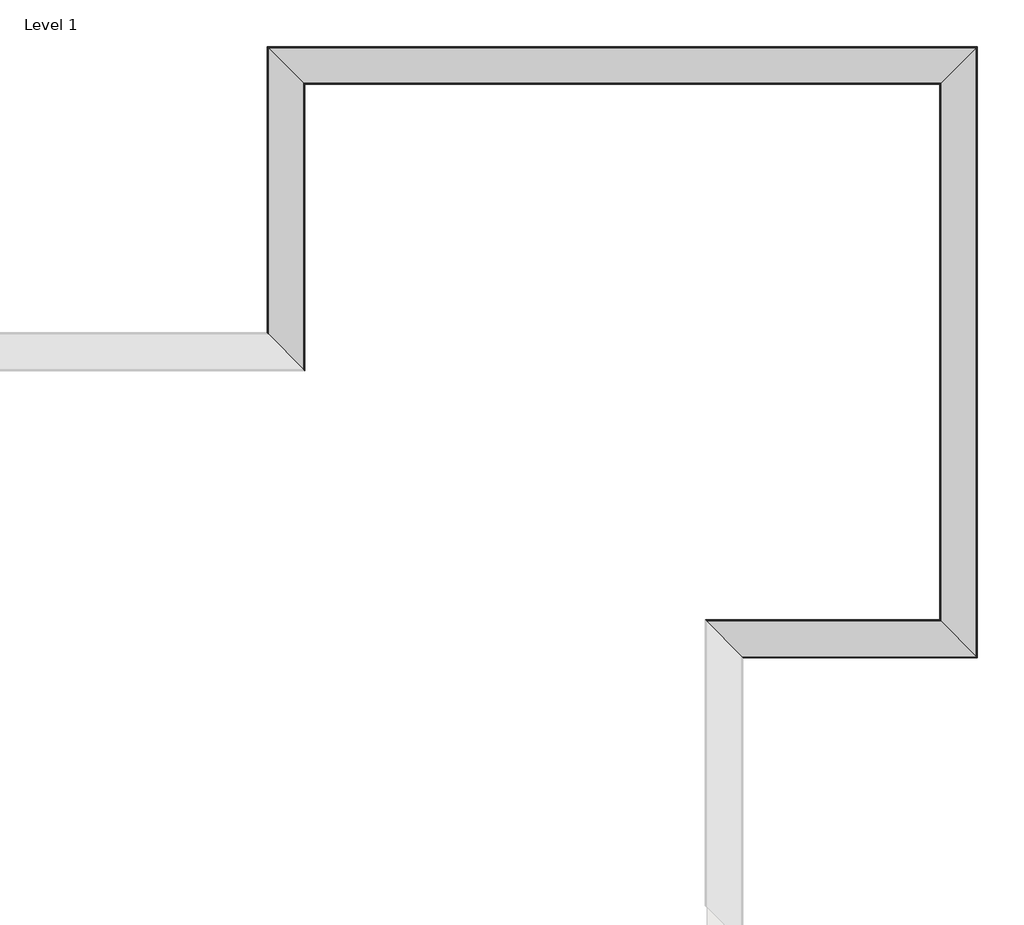
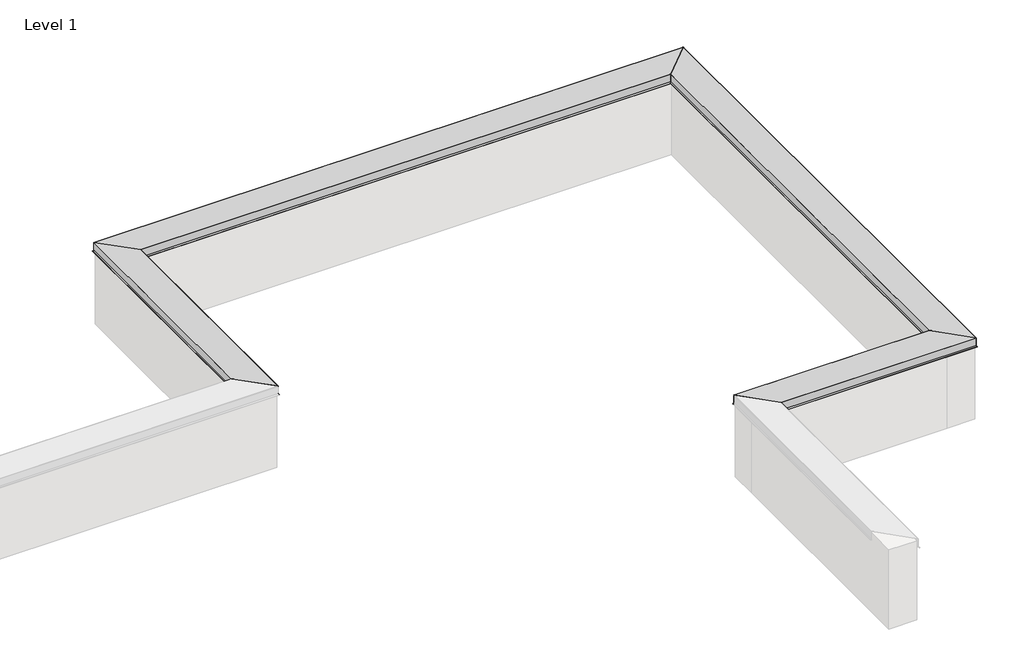
# One storey, part 2 of 2: 4 proxies.
"""IFC4 building model written with IfcOpenShell, lengths in millimetres."""

from ifc_helpers import new_model, si_unit, frame, origin, place, context, project, spatial, ellipse_curve, element, save
from ifc_brep_helpers import plane_surface, cylinder_surface, advanced_brep

model = new_model("IFC4")

# Units and contexts
model_context = context("Model", 3, world=origin())
ifc_project = project(units=[si_unit("LENGTHUNIT", "METRE", prefix="MILLI")], contexts=[model_context])

# Site, building, storey
site = spatial("IfcSite", under=ifc_project)
building = spatial("IfcBuilding", under=site)
storey = spatial("IfcBuildingStorey", under=building, Name="Level 1", Elevation=0.0)

# Proxies
placement = place(None, origin())
element("IfcBuildingElementProxy", 1, Name="Wall Sweeps", at=placement, inside=storey, context=model_context, shape_type="AdvancedBrep", body=[
    advanced_brep(
    [(-4571.2676589, 22440.6768217, 938.5463571), (-4572.4546165, 22441.8637793, 939.8), (-4895.936775, 22765.3459378, 939.8), (-4897.3004714, 22766.7096342, 938.508843), (-4897.3004714, 22766.7096342, 853.6034331), (-4905.2684654, 22774.6776281, 839.8024627), (-4903.7913777, 22773.2005405, 838.3536044), (-4894.2079525, 22763.6171153, 844.1359599), (-4894.7717906, 22764.1809533, 845.0704406), (-4904.2784533, 22773.6876161, 839.3344014), (-4896.2090652, 22765.6182279, 853.3109916), (-4896.2090652, 22765.6182279, 938.7085937), (-4572.3590652, 22441.7682279, 938.7085938), (-4572.3590652, 22441.7682279, 853.3109916), (-4564.289677, 22433.6988398, 839.3344014), (-4573.7963398, 22443.2055026, 845.0704406), (-4574.3601778, 22443.7693406, 844.1359599), (-4564.7767526, 22434.1859154, 838.3536044), (-4563.299665, 22432.7088278, 839.8024627), (-4571.2676589, 22440.6768217, 853.6034331), (-4571.2676589, 25037.4415284, 938.5463571), (-4571.2676589, 25037.4415284, 853.6034331), (-4563.299665, 25029.4735344, 839.8024627), (-4564.7767526, 25030.9506221, 838.3536044), (-4574.3601778, 25040.5340473, 844.1359599), (-4573.7963398, 25039.9702092, 845.0704406), (-4564.289677, 25030.4635465, 839.3344014), (-4572.3590652, 25038.5329346, 853.3109916), (-4572.3590652, 25038.5329346, 938.7085938), (-4896.2090652, 25362.3829346, 938.7085937), (-4896.2090652, 25362.3829346, 853.3109916), (-4904.2784533, 25370.4523228, 839.3344014), (-4894.7717906, 25360.94566, 845.0704406), (-4894.2079525, 25360.381822, 844.1359599), (-4903.7913777, 25369.9652472, 838.3536044), (-4905.2684654, 25371.4423348, 839.8024627), (-4897.3004714, 25363.4743409, 853.6034331), (-4897.3004714, 25363.4743409, 938.508843), (-4895.936775, 25362.1106445, 939.8), (-4572.4546165, 25038.628486, 939.8)],
    [
        (0, 1, ellipse_curve(frame((-4572.5231751, 22441.9323379, 938.5463571), z_axis=(-0.7071067811865511, -0.707106781186544, 0.0), x_axis=(0.707106781186544, -0.7071067811865509, 0.0)), 1.775568, 1.2555162)),
        (1, 2),
        (2, 3, ellipse_curve(frame((-4896.0073851, 22765.4165479, 938.508843), z_axis=(-0.7071067811865511, -0.707106781186544, 0.0), x_axis=(0.707106781186544, -0.7071067811865509, 0.0)), 1.8287002, 1.2930863)),
        (3, 4),
        (4, 5),
        (5, 6, ellipse_curve(frame((-4904.3432831, 22773.7524459, 839.2683085), z_axis=(-0.7071067811865511, -0.707106781186544, 0.0), x_axis=(0.707106781186544, -0.7071067811865509, 0.0)), 1.5108163, 1.0683085)),
        (6, 7),
        (7, 8),
        (8, 9),
        (9, 10),
        (10, 11),
        (11, 12),
        (12, 13),
        (13, 14),
        (14, 15),
        (15, 16),
        (16, 17),
        (17, 18, ellipse_curve(frame((-4564.2248473, 22433.63401, 839.2683085), z_axis=(-0.7071067811865511, -0.707106781186544, 0.0), x_axis=(0.707106781186544, -0.7071067811865509, 0.0)), 1.5108163, 1.0683085)),
        (18, 19),
        (19, 0),
        (20, 21),
        (21, 22),
        (22, 23, ellipse_curve(frame((-4564.2248473, 25030.3987167, 839.2683085), z_axis=(0.7071067811865511, 0.707106781186544, 0.0), x_axis=(0.707106781186544, -0.7071067811865509, 0.0)), 1.5108163, 1.0683085)),
        (23, 24),
        (24, 25),
        (25, 26),
        (26, 27),
        (27, 28),
        (28, 29),
        (29, 30),
        (30, 31),
        (31, 32),
        (32, 33),
        (33, 34),
        (34, 35, ellipse_curve(frame((-4904.3432831, 25370.5171525, 839.2683085), z_axis=(0.7071067811865511, 0.707106781186544, 0.0), x_axis=(0.707106781186544, -0.7071067811865509, 0.0)), 1.5108163, 1.0683085)),
        (35, 36),
        (36, 37),
        (37, 38, ellipse_curve(frame((-4896.0073851, 25362.1812546, 938.508843), z_axis=(0.7071067811865511, 0.707106781186544, 0.0), x_axis=(0.707106781186544, -0.7071067811865509, 0.0)), 1.8287002, 1.2930863)),
        (38, 39),
        (39, 20, ellipse_curve(frame((-4572.5231751, 25038.6970446, 938.5463571), z_axis=(0.7071067811865511, 0.707106781186544, 0.0), x_axis=(0.707106781186544, -0.7071067811865509, 0.0)), 1.775568, 1.2555162)),
        (0, 20),
        (39, 1),
        (38, 2),
        (37, 3),
        (36, 4),
        (35, 5),
        (34, 6),
        (33, 7),
        (32, 8),
        (31, 9),
        (30, 10),
        (29, 11),
        (28, 12),
        (27, 13),
        (26, 14),
        (25, 15),
        (24, 16),
        (23, 17),
        (22, 18),
        (21, 19),
    ],
    [
        plane_surface(frame((-4734.2840652, 22603.6932279, 609.6), z_axis=(-0.7071067811865511, -0.707106781186544, 0.0), x_axis=(-0.707106781186544, 0.7071067811865511, 0.0))),
        plane_surface(frame((-4734.2840652, 25200.4579346, 1219.2), z_axis=(0.7071067811865511, 0.707106781186544, 0.0), x_axis=(0.707106781186544, -0.7071067811865511, 0.0))),
        cylinder_surface(frame((-4572.5231751, 22603.6932279, 938.5463571), z_axis=(0.0, -1.0, 0.0), x_axis=(-1.0, 0.0, 0.0)), 1.2555162),
        plane_surface(frame((-4572.4546165, 22441.8637793, 939.8), z_axis=(0.0, 0.0, 1.0), x_axis=(0.0, 1.0, 0.0))),
        cylinder_surface(frame((-4896.0073851, 22603.6932279, 938.508843), z_axis=(0.0, -1.0, 0.0), x_axis=(-1.0, 0.0, 0.0)), 1.2930863),
        plane_surface(frame((-4897.3004714, 22766.7096342, 938.508843), z_axis=(-1.0, 0.0, 0.0), x_axis=(0.0, 1.0, 0.0))),
        plane_surface(frame((-4897.3004714, 22766.7096342, 853.6034331), z_axis=(-0.8660254037844565, 0.0, 0.4999999999999693), x_axis=(0.0, 1.0, 0.0))),
        cylinder_surface(frame((-4904.3432831, 22603.6932279, 839.2683085), z_axis=(0.0, -1.0, 0.0), x_axis=(-1.0, 0.0, 0.0)), 1.0683085),
        plane_surface(frame((-4903.7913777, 22773.2005405, 838.3536044), z_axis=(0.5166161099101941, 0.0, -0.8562171424243141), x_axis=(0.0, 1.0, 0.0))),
        plane_surface(frame((-4894.2079525, 22763.6171153, 844.1359599), z_axis=(0.8562171424243104, 0.0, 0.5166161099102006), x_axis=(0.0, 1.0, 0.0))),
        plane_surface(frame((-4894.7717906, 22764.1809533, 845.0704406), z_axis=(-0.5166161099101967, 0.0, 0.8562171424243127), x_axis=(0.0, 1.0, 0.0))),
        plane_surface(frame((-4904.2784533, 22773.6876161, 839.3344014), z_axis=(0.8660254037844567, 0.0, -0.49999999999996875), x_axis=(0.0, 1.0, 0.0))),
        plane_surface(frame((-4896.2090652, 22765.6182279, 853.3109916), z_axis=(1.0, 0.0, 0.0), x_axis=(0.0, 1.0, 0.0))),
        plane_surface(frame((-4896.2090652, 22765.6182279, 938.7085937), z_axis=(0.0, 0.0, -1.0), x_axis=(0.0, 1.0, 0.0))),
        plane_surface(frame((-4572.3590652, 22441.7682279, 938.7085938), z_axis=(-1.0, 0.0, 0.0), x_axis=(0.0, 1.0, 0.0))),
        plane_surface(frame((-4572.3590652, 22441.7682279, 853.3109916), z_axis=(-0.8660254037844562, 0.0, -0.4999999999999696), x_axis=(0.0, 1.0, 0.0))),
        plane_surface(frame((-4564.289677, 22433.6988398, 839.3344014), z_axis=(0.5166161099101976, 0.0, 0.8562171424243121), x_axis=(0.0, 1.0, 0.0))),
        plane_surface(frame((-4573.7963398, 22443.2055026, 845.0704406), z_axis=(-0.8562171424243104, 0.0, 0.5166161099102006), x_axis=(0.0, 1.0, 0.0))),
        plane_surface(frame((-4574.3601778, 22443.7693406, 844.1359599), z_axis=(-0.5166161099101971, 0.0, -0.8562171424243123), x_axis=(0.0, 1.0, 0.0))),
        cylinder_surface(frame((-4564.2248473, 22603.6932279, 839.2683085), z_axis=(0.0, -1.0, 0.0), x_axis=(-1.0, 0.0, 0.0)), 1.0683085),
        plane_surface(frame((-4563.299665, 22432.7088278, 839.8024627), z_axis=(0.8660254037844569, 0.0, 0.4999999999999685), x_axis=(0.0, 1.0, 0.0))),
        plane_surface(frame((-4571.2676589, 22440.6768217, 853.6034331), z_axis=(1.0, 0.0, 0.0), x_axis=(0.0, 1.0, 0.0))),
    ],
    [
        (0, [[1, 2, 3, 4, 5, 6, 7, 8, 9, 10, 11, 12, 13, 14, 15, 16, 17, 18, 19, 20]]),
        (1, [[21, 22, 23, 24, 25, 26, 27, 28, 29, 30, 31, 32, 33, 34, 35, 36, 37, 38, 39, 40]]),
        (2, [[-1, 41, -40, 42]]),
        (3, [[-2, -42, -39, 43]]),
        (4, [[-3, -43, -38, 44]]),
        (5, [[-4, -44, -37, 45]]),
        (6, [[-5, -45, -36, 46]]),
        (7, [[-6, -46, -35, 47]]),
        (8, [[-7, -47, -34, 48]]),
        (9, [[-8, -48, -33, 49]]),
        (10, [[-9, -49, -32, 50]]),
        (11, [[-10, -50, -31, 51]]),
        (12, [[-11, -51, -30, 52]]),
        (13, [[-12, -52, -29, 53]]),
        (14, [[-13, -53, -28, 54]]),
        (15, [[-14, -54, -27, 55]]),
        (16, [[-15, -55, -26, 56]]),
        (17, [[-16, -56, -25, 57]]),
        (18, [[-17, -57, -24, 58]]),
        (19, [[-18, -58, -23, 59]]),
        (20, [[-19, -59, -22, 60]]),
        (21, [[-20, -60, -21, -41]]),
    ],
),
])
element("IfcBuildingElementProxy", 2, Name="Wall Sweeps", at=placement, inside=storey, context=model_context, shape_type="AdvancedBrep", body=[
    advanced_brep(
    [(-4571.2676589, 25037.4415284, 938.5463571), (-4572.4546165, 25038.628486, 939.8), (-4895.936775, 25362.1106445, 939.8), (-4897.3004714, 25363.4743409, 938.508843), (-4897.3004714, 25363.4743409, 853.6034331), (-4905.2684654, 25371.4423348, 839.8024627), (-4903.7913777, 25369.9652472, 838.3536044), (-4894.2079525, 25360.381822, 844.1359599), (-4894.7717906, 25360.94566, 845.0704406), (-4904.2784533, 25370.4523228, 839.3344014), (-4896.2090652, 25362.3829346, 853.3109916), (-4896.2090652, 25362.3829346, 938.7085937), (-4572.3590652, 25038.5329346, 938.7085938), (-4572.3590652, 25038.5329346, 853.3109916), (-4564.289677, 25030.4635465, 839.3344014), (-4573.7963398, 25039.9702092, 845.0704406), (-4574.3601778, 25040.5340473, 844.1359599), (-4564.7767526, 25030.9506221, 838.3536044), (-4563.299665, 25029.4735344, 839.8024627), (-4571.2676589, 25037.4415284, 853.6034331), (1204.6642353, 25037.4415284, 938.5463571), (1204.6642353, 25037.4415284, 853.6034331), (1196.6962413, 25029.4735344, 839.8024627), (1198.173329, 25030.9506221, 838.3536044), (1207.7567542, 25040.5340473, 844.1359599), (1207.1929161, 25039.9702092, 845.0704406), (1197.6862534, 25030.4635465, 839.3344014), (1205.7556415, 25038.5329346, 853.3109916), (1205.7556415, 25038.5329346, 938.7085938), (1529.6056415, 25362.3829346, 938.7085937), (1529.6056415, 25362.3829346, 853.3109916), (1537.6750297, 25370.4523228, 839.3344014), (1528.1683669, 25360.94566, 845.0704406), (1527.6045289, 25360.381822, 844.1359599), (1537.1879541, 25369.9652472, 838.3536044), (1538.6650417, 25371.4423348, 839.8024627), (1530.6970478, 25363.4743409, 853.6034331), (1530.6970478, 25363.4743409, 938.508843), (1529.3333513, 25362.1106445, 939.8), (1205.8511929, 25038.628486, 939.8)],
    [
        (0, 1, ellipse_curve(frame((-4572.5231751, 25038.6970446, 938.5463571), z_axis=(-0.7071067811865511, -0.707106781186544, 0.0), x_axis=(-0.7071067811865439, 0.7071067811865511, 0.0)), 1.775568, 1.2555162)),
        (1, 2),
        (2, 3, ellipse_curve(frame((-4896.0073851, 25362.1812546, 938.508843), z_axis=(-0.7071067811865511, -0.707106781186544, 0.0), x_axis=(-0.7071067811865439, 0.7071067811865511, 0.0)), 1.8287002, 1.2930863)),
        (3, 4),
        (4, 5),
        (5, 6, ellipse_curve(frame((-4904.3432831, 25370.5171525, 839.2683085), z_axis=(-0.7071067811865511, -0.707106781186544, 0.0), x_axis=(-0.7071067811865439, 0.7071067811865511, 0.0)), 1.5108163, 1.0683085)),
        (6, 7),
        (7, 8),
        (8, 9),
        (9, 10),
        (10, 11),
        (11, 12),
        (12, 13),
        (13, 14),
        (14, 15),
        (15, 16),
        (16, 17),
        (17, 18, ellipse_curve(frame((-4564.2248473, 25030.3987167, 839.2683085), z_axis=(-0.7071067811865511, -0.707106781186544, 0.0), x_axis=(-0.7071067811865439, 0.7071067811865511, 0.0)), 1.5108163, 1.0683085)),
        (18, 19),
        (19, 0),
        (20, 21),
        (21, 22),
        (22, 23, ellipse_curve(frame((1197.6214236, 25030.3987167, 839.2683085), z_axis=(0.7071067811865425, -0.7071067811865527, 0.0), x_axis=(-0.7071067811865525, -0.7071067811865426, 0.0)), 1.5108163, 1.0683085)),
        (23, 24),
        (24, 25),
        (25, 26),
        (26, 27),
        (27, 28),
        (28, 29),
        (29, 30),
        (30, 31),
        (31, 32),
        (32, 33),
        (33, 34),
        (34, 35, ellipse_curve(frame((1537.7398594, 25370.5171525, 839.2683085), z_axis=(0.7071067811865425, -0.7071067811865527, 0.0), x_axis=(-0.7071067811865525, -0.7071067811865426, 0.0)), 1.5108163, 1.0683085)),
        (35, 36),
        (36, 37),
        (37, 38, ellipse_curve(frame((1529.4039615, 25362.1812546, 938.508843), z_axis=(0.7071067811865425, -0.7071067811865527, 0.0), x_axis=(-0.7071067811865525, -0.7071067811865426, 0.0)), 1.8287002, 1.2930863)),
        (38, 39),
        (39, 20, ellipse_curve(frame((1205.9197515, 25038.6970446, 938.5463571), z_axis=(0.7071067811865425, -0.7071067811865527, 0.0), x_axis=(-0.7071067811865525, -0.7071067811865426, 0.0)), 1.775568, 1.2555162)),
        (0, 20),
        (39, 1),
        (38, 2),
        (37, 3),
        (36, 4),
        (35, 5),
        (34, 6),
        (33, 7),
        (32, 8),
        (31, 9),
        (30, 10),
        (29, 11),
        (28, 12),
        (27, 13),
        (26, 14),
        (25, 15),
        (24, 16),
        (23, 17),
        (22, 18),
        (21, 19),
    ],
    [
        plane_surface(frame((-4734.2840652, 25200.4579346, 1219.2), z_axis=(-0.7071067811865511, -0.707106781186544, 0.0), x_axis=(0.707106781186544, -0.7071067811865511, 0.0))),
        plane_surface(frame((1367.6806415, 25200.4579346, 1219.2), z_axis=(0.7071067811865425, -0.7071067811865527, 0.0), x_axis=(-0.7071067811865527, -0.7071067811865425, 0.0))),
        cylinder_surface(frame((-4734.2840652, 25038.6970446, 938.5463571), z_axis=(-1.0, 0.0, 0.0), x_axis=(0.0, 1.0, 0.0)), 1.2555162),
        plane_surface(frame((-4572.4546165, 25038.628486, 939.8), z_axis=(0.0, 0.0, 1.0), x_axis=(1.0, 0.0, 0.0))),
        cylinder_surface(frame((-4734.2840652, 25362.1812546, 938.508843), z_axis=(-1.0, 0.0, 0.0), x_axis=(0.0, 1.0, 0.0)), 1.2930863),
        plane_surface(frame((-4897.3004714, 25363.4743409, 938.508843), z_axis=(0.0, 1.0, 0.0), x_axis=(1.0, 0.0, 0.0))),
        plane_surface(frame((-4897.3004714, 25363.4743409, 853.6034331), z_axis=(0.0, 0.8660254037844565, 0.4999999999999693), x_axis=(1.0, 0.0, 0.0))),
        cylinder_surface(frame((-4734.2840652, 25370.5171525, 839.2683085), z_axis=(-1.0, 0.0, 0.0), x_axis=(0.0, 1.0, 0.0)), 1.0683085),
        plane_surface(frame((-4903.7913777, 25369.9652472, 838.3536044), z_axis=(0.0, -0.5166161099101941, -0.8562171424243141), x_axis=(1.0, 0.0, 0.0))),
        plane_surface(frame((-4894.2079525, 25360.381822, 844.1359599), z_axis=(0.0, -0.8562171424243104, 0.5166161099102006), x_axis=(1.0, 0.0, 0.0))),
        plane_surface(frame((-4894.7717906, 25360.94566, 845.0704406), z_axis=(0.0, 0.5166161099101967, 0.8562171424243127), x_axis=(1.0, 0.0, 0.0))),
        plane_surface(frame((-4904.2784533, 25370.4523228, 839.3344014), z_axis=(0.0, -0.8660254037844567, -0.49999999999996875), x_axis=(1.0, 0.0, 0.0))),
        plane_surface(frame((-4896.2090652, 25362.3829346, 853.3109916), z_axis=(0.0, -1.0, 0.0), x_axis=(1.0, 0.0, 0.0))),
        plane_surface(frame((-4896.2090652, 25362.3829346, 938.7085937), z_axis=(0.0, 0.0, -1.0), x_axis=(1.0, 0.0, 0.0))),
        plane_surface(frame((-4572.3590652, 25038.5329346, 938.7085938), z_axis=(0.0, 1.0, 0.0), x_axis=(1.0, 0.0, 0.0))),
        plane_surface(frame((-4572.3590652, 25038.5329346, 853.3109916), z_axis=(0.0, 0.8660254037844562, -0.4999999999999696), x_axis=(1.0, 0.0, 0.0))),
        plane_surface(frame((-4564.289677, 25030.4635465, 839.3344014), z_axis=(0.0, -0.5166161099101976, 0.8562171424243121), x_axis=(1.0, 0.0, 0.0))),
        plane_surface(frame((-4573.7963398, 25039.9702092, 845.0704406), z_axis=(0.0, 0.8562171424243104, 0.5166161099102006), x_axis=(1.0, 0.0, 0.0))),
        plane_surface(frame((-4574.3601778, 25040.5340473, 844.1359599), z_axis=(0.0, 0.5166161099101971, -0.8562171424243123), x_axis=(1.0, 0.0, 0.0))),
        cylinder_surface(frame((-4734.2840652, 25030.3987167, 839.2683085), z_axis=(-1.0, 0.0, 0.0), x_axis=(0.0, 1.0, 0.0)), 1.0683085),
        plane_surface(frame((-4563.299665, 25029.4735344, 839.8024627), z_axis=(0.0, -0.8660254037844569, 0.4999999999999685), x_axis=(1.0, 0.0, 0.0))),
        plane_surface(frame((-4571.2676589, 25037.4415284, 853.6034331), z_axis=(0.0, -1.0, 0.0), x_axis=(1.0, 0.0, 0.0))),
    ],
    [
        (0, [[1, 2, 3, 4, 5, 6, 7, 8, 9, 10, 11, 12, 13, 14, 15, 16, 17, 18, 19, 20]]),
        (1, [[21, 22, 23, 24, 25, 26, 27, 28, 29, 30, 31, 32, 33, 34, 35, 36, 37, 38, 39, 40]]),
        (2, [[-1, 41, -40, 42]]),
        (3, [[-2, -42, -39, 43]]),
        (4, [[-3, -43, -38, 44]]),
        (5, [[-4, -44, -37, 45]]),
        (6, [[-5, -45, -36, 46]]),
        (7, [[-6, -46, -35, 47]]),
        (8, [[-7, -47, -34, 48]]),
        (9, [[-8, -48, -33, 49]]),
        (10, [[-9, -49, -32, 50]]),
        (11, [[-10, -50, -31, 51]]),
        (12, [[-11, -51, -30, 52]]),
        (13, [[-12, -52, -29, 53]]),
        (14, [[-13, -53, -28, 54]]),
        (15, [[-14, -54, -27, 55]]),
        (16, [[-15, -55, -26, 56]]),
        (17, [[-16, -56, -25, 57]]),
        (18, [[-17, -57, -24, 58]]),
        (19, [[-18, -58, -23, 59]]),
        (20, [[-19, -59, -22, 60]]),
        (21, [[-20, -60, -21, -41]]),
    ],
),
])
element("IfcBuildingElementProxy", 3, Name="Wall Sweeps", at=placement, inside=storey, context=model_context, shape_type="AdvancedBrep", body=[
    advanced_brep(
    [(1204.6642353, 25037.4415284, 938.5463571), (1205.8511929, 25038.628486, 939.8), (1529.3333513, 25362.1106445, 939.8), (1530.6970478, 25363.4743409, 938.508843), (1530.6970478, 25363.4743409, 853.6034331), (1538.6650417, 25371.4423348, 839.8024627), (1537.1879541, 25369.9652472, 838.3536044), (1527.6045289, 25360.381822, 844.1359599), (1528.1683669, 25360.94566, 845.0704406), (1537.6750297, 25370.4523228, 839.3344014), (1529.6056415, 25362.3829346, 853.3109916), (1529.6056415, 25362.3829346, 938.7085937), (1205.7556415, 25038.5329346, 938.7085938), (1205.7556415, 25038.5329346, 853.3109916), (1197.6862534, 25030.4635465, 839.3344014), (1207.1929161, 25039.9702092, 845.0704406), (1207.7567542, 25040.5340473, 844.1359599), (1198.173329, 25030.9506221, 838.3536044), (1196.6962413, 25029.4735344, 839.8024627), (1204.6642353, 25037.4415284, 853.6034331), (1204.6642353, 20163.1912241, 938.5463571), (1204.6642353, 20163.1912241, 853.6034331), (1196.6962413, 20171.1592181, 839.8024627), (1198.173329, 20169.6821304, 838.3536044), (1207.7567542, 20160.0987052, 844.1359599), (1207.1929161, 20160.6625433, 845.0704406), (1197.6862534, 20170.1692061, 839.3344014), (1205.7556415, 20162.0998179, 853.3109916), (1205.7556415, 20162.0998179, 938.7085938), (1529.6056415, 19838.2498179, 938.7085937), (1529.6056415, 19838.2498179, 853.3109916), (1537.6750297, 19830.1804297, 839.3344014), (1528.1683669, 19839.6870925, 845.0704406), (1527.6045289, 19840.2509306, 844.1359599), (1537.1879541, 19830.6675054, 838.3536044), (1538.6650417, 19829.1904177, 839.8024627), (1530.6970478, 19837.1584116, 853.6034331), (1530.6970478, 19837.1584116, 938.508843), (1529.3333513, 19838.5221081, 939.8), (1205.8511929, 20162.0042665, 939.8)],
    [
        (0, 1, ellipse_curve(frame((1205.9197515, 25038.6970446, 938.5463571), z_axis=(-0.7071067811865425, 0.7071067811865527, 0.0), x_axis=(0.7071067811865527, 0.7071067811865424, 0.0)), 1.775568, 1.2555162)),
        (1, 2),
        (2, 3, ellipse_curve(frame((1529.4039615, 25362.1812546, 938.508843), z_axis=(-0.7071067811865425, 0.7071067811865527, 0.0), x_axis=(0.7071067811865527, 0.7071067811865424, 0.0)), 1.8287002, 1.2930863)),
        (3, 4),
        (4, 5),
        (5, 6, ellipse_curve(frame((1537.7398594, 25370.5171525, 839.2683085), z_axis=(-0.7071067811865425, 0.7071067811865527, 0.0), x_axis=(0.7071067811865527, 0.7071067811865424, 0.0)), 1.5108163, 1.0683085)),
        (6, 7),
        (7, 8),
        (8, 9),
        (9, 10),
        (10, 11),
        (11, 12),
        (12, 13),
        (13, 14),
        (14, 15),
        (15, 16),
        (16, 17),
        (17, 18, ellipse_curve(frame((1197.6214236, 25030.3987167, 839.2683085), z_axis=(-0.7071067811865425, 0.7071067811865527, 0.0), x_axis=(0.7071067811865527, 0.7071067811865424, 0.0)), 1.5108163, 1.0683085)),
        (18, 19),
        (19, 0),
        (20, 21),
        (21, 22),
        (22, 23, ellipse_curve(frame((1197.6214236, 20170.2340358, 839.2683085), z_axis=(-0.7071067811865513, -0.7071067811865438, 0.0), x_axis=(-0.7071067811865438, 0.7071067811865512, 0.0)), 1.5108163, 1.0683085)),
        (23, 24),
        (24, 25),
        (25, 26),
        (26, 27),
        (27, 28),
        (28, 29),
        (29, 30),
        (30, 31),
        (31, 32),
        (32, 33),
        (33, 34),
        (34, 35, ellipse_curve(frame((1537.7398594, 19830.1156, 839.2683085), z_axis=(-0.7071067811865513, -0.7071067811865438, 0.0), x_axis=(-0.7071067811865438, 0.7071067811865512, 0.0)), 1.5108163, 1.0683085)),
        (35, 36),
        (36, 37),
        (37, 38, ellipse_curve(frame((1529.4039615, 19838.4514979, 938.508843), z_axis=(-0.7071067811865513, -0.7071067811865438, 0.0), x_axis=(-0.7071067811865438, 0.7071067811865512, 0.0)), 1.8287002, 1.2930863)),
        (38, 39),
        (39, 20, ellipse_curve(frame((1205.9197515, 20161.935708, 938.5463571), z_axis=(-0.7071067811865513, -0.7071067811865438, 0.0), x_axis=(-0.7071067811865438, 0.7071067811865512, 0.0)), 1.775568, 1.2555162)),
        (0, 20),
        (39, 1),
        (38, 2),
        (37, 3),
        (36, 4),
        (35, 5),
        (34, 6),
        (33, 7),
        (32, 8),
        (31, 9),
        (30, 10),
        (29, 11),
        (28, 12),
        (27, 13),
        (26, 14),
        (25, 15),
        (24, 16),
        (23, 17),
        (22, 18),
        (21, 19),
    ],
    [
        plane_surface(frame((1367.6806415, 25200.4579346, 1219.2), z_axis=(-0.7071067811865425, 0.7071067811865527, 0.0), x_axis=(-0.7071067811865527, -0.7071067811865425, 0.0))),
        plane_surface(frame((1367.6806415, 20000.1748179, 1219.2), z_axis=(-0.7071067811865513, -0.7071067811865438, 0.0), x_axis=(-0.7071067811865438, 0.7071067811865513, 0.0))),
        cylinder_surface(frame((1205.9197515, 25200.4579346, 938.5463571), z_axis=(0.0, 1.0, 0.0), x_axis=(1.0, 0.0, 0.0)), 1.2555162),
        plane_surface(frame((1205.8511929, 25038.628486, 939.8), z_axis=(0.0, 0.0, 1.0), x_axis=(0.0, -1.0, 0.0))),
        cylinder_surface(frame((1529.4039615, 25200.4579346, 938.508843), z_axis=(0.0, 1.0, 0.0), x_axis=(1.0, 0.0, 0.0)), 1.2930863),
        plane_surface(frame((1530.6970478, 25363.4743409, 938.508843), z_axis=(1.0, 0.0, 0.0), x_axis=(0.0, -1.0, 0.0))),
        plane_surface(frame((1530.6970478, 25363.4743409, 853.6034331), z_axis=(0.8660254037844565, 0.0, 0.4999999999999693), x_axis=(0.0, -1.0, 0.0))),
        cylinder_surface(frame((1537.7398594, 25200.4579346, 839.2683085), z_axis=(0.0, 1.0, 0.0), x_axis=(1.0, 0.0, 0.0)), 1.0683085),
        plane_surface(frame((1537.1879541, 25369.9652472, 838.3536044), z_axis=(-0.5166161099101941, 0.0, -0.8562171424243141), x_axis=(0.0, -1.0, 0.0))),
        plane_surface(frame((1527.6045289, 25360.381822, 844.1359599), z_axis=(-0.8562171424243104, 0.0, 0.5166161099102006), x_axis=(0.0, -1.0, 0.0))),
        plane_surface(frame((1528.1683669, 25360.94566, 845.0704406), z_axis=(0.5166161099101967, 0.0, 0.8562171424243127), x_axis=(0.0, -1.0, 0.0))),
        plane_surface(frame((1537.6750297, 25370.4523228, 839.3344014), z_axis=(-0.8660254037844567, 0.0, -0.49999999999996875), x_axis=(0.0, -1.0, 0.0))),
        plane_surface(frame((1529.6056415, 25362.3829346, 853.3109916), z_axis=(-1.0, 0.0, 0.0), x_axis=(0.0, -1.0, 0.0))),
        plane_surface(frame((1529.6056415, 25362.3829346, 938.7085937), z_axis=(0.0, 0.0, -1.0), x_axis=(0.0, -1.0, 0.0))),
        plane_surface(frame((1205.7556415, 25038.5329346, 938.7085938), z_axis=(1.0, 0.0, 0.0), x_axis=(0.0, -1.0, 0.0))),
        plane_surface(frame((1205.7556415, 25038.5329346, 853.3109916), z_axis=(0.8660254037844562, 0.0, -0.4999999999999696), x_axis=(0.0, -1.0, 0.0))),
        plane_surface(frame((1197.6862534, 25030.4635465, 839.3344014), z_axis=(-0.5166161099101976, 0.0, 0.8562171424243121), x_axis=(0.0, -1.0, 0.0))),
        plane_surface(frame((1207.1929161, 25039.9702092, 845.0704406), z_axis=(0.8562171424243104, 0.0, 0.5166161099102006), x_axis=(0.0, -1.0, 0.0))),
        plane_surface(frame((1207.7567542, 25040.5340473, 844.1359599), z_axis=(0.5166161099101971, 0.0, -0.8562171424243123), x_axis=(0.0, -1.0, 0.0))),
        cylinder_surface(frame((1197.6214236, 25200.4579346, 839.2683085), z_axis=(0.0, 1.0, 0.0), x_axis=(1.0, 0.0, 0.0)), 1.0683085),
        plane_surface(frame((1196.6962413, 25029.4735344, 839.8024627), z_axis=(-0.8660254037844569, 0.0, 0.4999999999999685), x_axis=(0.0, -1.0, 0.0))),
        plane_surface(frame((1204.6642353, 25037.4415284, 853.6034331), z_axis=(-1.0, 0.0, 0.0), x_axis=(0.0, -1.0, 0.0))),
    ],
    [
        (0, [[1, 2, 3, 4, 5, 6, 7, 8, 9, 10, 11, 12, 13, 14, 15, 16, 17, 18, 19, 20]]),
        (1, [[21, 22, 23, 24, 25, 26, 27, 28, 29, 30, 31, 32, 33, 34, 35, 36, 37, 38, 39, 40]]),
        (2, [[-1, 41, -40, 42]]),
        (3, [[-2, -42, -39, 43]]),
        (4, [[-3, -43, -38, 44]]),
        (5, [[-4, -44, -37, 45]]),
        (6, [[-5, -45, -36, 46]]),
        (7, [[-6, -46, -35, 47]]),
        (8, [[-7, -47, -34, 48]]),
        (9, [[-8, -48, -33, 49]]),
        (10, [[-9, -49, -32, 50]]),
        (11, [[-10, -50, -31, 51]]),
        (12, [[-11, -51, -30, 52]]),
        (13, [[-12, -52, -29, 53]]),
        (14, [[-13, -53, -28, 54]]),
        (15, [[-14, -54, -27, 55]]),
        (16, [[-15, -55, -26, 56]]),
        (17, [[-16, -56, -25, 57]]),
        (18, [[-17, -57, -24, 58]]),
        (19, [[-18, -58, -23, 59]]),
        (20, [[-19, -59, -22, 60]]),
        (21, [[-20, -60, -21, -41]]),
    ],
),
])
element("IfcBuildingElementProxy", 4, Name="Wall Sweeps", at=placement, inside=storey, context=model_context, shape_type="AdvancedBrep", body=[
    advanced_brep(
    [(1204.6642353, 20163.1912241, 938.5463571), (1205.8511929, 20162.0042665, 939.8), (1529.3333513, 19838.5221081, 939.8), (1530.6970478, 19837.1584116, 938.508843), (1530.6970478, 19837.1584116, 853.6034331), (1538.6650417, 19829.1904177, 839.8024627), (1537.1879541, 19830.6675054, 838.3536044), (1527.6045289, 19840.2509306, 844.1359599), (1528.1683669, 19839.6870925, 845.0704406), (1537.6750297, 19830.1804297, 839.3344014), (1529.6056415, 19838.2498179, 853.3109916), (1529.6056415, 19838.2498179, 938.7085937), (1205.7556415, 20162.0998179, 938.7085938), (1205.7556415, 20162.0998179, 853.3109916), (1197.6862534, 20170.1692061, 839.3344014), (1207.1929161, 20160.6625433, 845.0704406), (1207.7567542, 20160.0987052, 844.1359599), (1198.173329, 20169.6821304, 838.3536044), (1196.6962413, 20171.1592181, 839.8024627), (1204.6642353, 20163.1912241, 853.6034331), (-922.1820614, 20163.1912241, 938.5463571), (-922.1820614, 20163.1912241, 853.6034331), (-930.1500553, 20171.1592181, 839.8024627), (-928.6729677, 20169.6821304, 838.3536044), (-919.0895425, 20160.0987052, 844.1359599), (-919.6533805, 20160.6625433, 845.0704406), (-929.1600433, 20170.1692061, 839.3344014), (-921.0906551, 20162.0998179, 853.3109916), (-921.0906551, 20162.0998179, 938.7085938), (-597.2406551, 19838.2498179, 938.7085937), (-597.2406551, 19838.2498179, 853.3109916), (-589.171267, 19830.1804297, 839.3344014), (-598.6779297, 19839.6870925, 845.0704406), (-599.2417678, 19840.2509306, 844.1359599), (-589.6583426, 19830.6675054, 838.3536044), (-588.1812549, 19829.1904177, 839.8024627), (-596.1492489, 19837.1584116, 853.6034331), (-596.1492489, 19837.1584116, 938.508843), (-597.5129453, 19838.5221081, 939.8), (-920.9951038, 20162.0042665, 939.8)],
    [
        (0, 1, ellipse_curve(frame((1205.9197515, 20161.935708, 938.5463571), z_axis=(0.7071067811865513, 0.7071067811865438, 0.0), x_axis=(0.7071067811865436, -0.7071067811865515, 0.0)), 1.775568, 1.2555162)),
        (1, 2),
        (2, 3, ellipse_curve(frame((1529.4039615, 19838.4514979, 938.508843), z_axis=(0.7071067811865513, 0.7071067811865438, 0.0), x_axis=(0.7071067811865436, -0.7071067811865515, 0.0)), 1.8287002, 1.2930863)),
        (3, 4),
        (4, 5),
        (5, 6, ellipse_curve(frame((1537.7398594, 19830.1156, 839.2683085), z_axis=(0.7071067811865513, 0.7071067811865438, 0.0), x_axis=(0.7071067811865436, -0.7071067811865515, 0.0)), 1.5108163, 1.0683085)),
        (6, 7),
        (7, 8),
        (8, 9),
        (9, 10),
        (10, 11),
        (11, 12),
        (12, 13),
        (13, 14),
        (14, 15),
        (15, 16),
        (16, 17),
        (17, 18, ellipse_curve(frame((1197.6214236, 20170.2340358, 839.2683085), z_axis=(0.7071067811865513, 0.7071067811865438, 0.0), x_axis=(0.7071067811865436, -0.7071067811865515, 0.0)), 1.5108163, 1.0683085)),
        (18, 19),
        (19, 0),
        (20, 21),
        (21, 22),
        (22, 23, ellipse_curve(frame((-929.224873, 20170.2340358, 839.2683085), z_axis=(-0.7071067811865513, -0.7071067811865438, 0.0), x_axis=(0.7071067811865436, -0.7071067811865515, 0.0)), 1.5108163, 1.0683085)),
        (23, 24),
        (24, 25),
        (25, 26),
        (26, 27),
        (27, 28),
        (28, 29),
        (29, 30),
        (30, 31),
        (31, 32),
        (32, 33),
        (33, 34),
        (34, 35, ellipse_curve(frame((-589.1064372, 19830.1156, 839.2683085), z_axis=(-0.7071067811865513, -0.7071067811865438, 0.0), x_axis=(0.7071067811865436, -0.7071067811865515, 0.0)), 1.5108163, 1.0683085)),
        (35, 36),
        (36, 37),
        (37, 38, ellipse_curve(frame((-597.4423352, 19838.4514979, 938.508843), z_axis=(-0.7071067811865513, -0.7071067811865438, 0.0), x_axis=(0.7071067811865436, -0.7071067811865515, 0.0)), 1.8287002, 1.2930863)),
        (38, 39),
        (39, 20, ellipse_curve(frame((-920.9265452, 20161.935708, 938.5463571), z_axis=(-0.7071067811865513, -0.7071067811865438, 0.0), x_axis=(0.7071067811865436, -0.7071067811865515, 0.0)), 1.775568, 1.2555162)),
        (0, 20),
        (39, 1),
        (38, 2),
        (37, 3),
        (36, 4),
        (35, 5),
        (34, 6),
        (33, 7),
        (32, 8),
        (31, 9),
        (30, 10),
        (29, 11),
        (28, 12),
        (27, 13),
        (26, 14),
        (25, 15),
        (24, 16),
        (23, 17),
        (22, 18),
        (21, 19),
    ],
    [
        plane_surface(frame((1367.6806415, 20000.1748179, 1219.2), z_axis=(0.7071067811865513, 0.7071067811865438, 0.0), x_axis=(-0.7071067811865438, 0.7071067811865513, 0.0))),
        plane_surface(frame((-759.1656551, 20000.1748179, 609.6), z_axis=(-0.7071067811865513, -0.7071067811865438, 0.0), x_axis=(0.7071067811865438, -0.7071067811865513, 0.0))),
        cylinder_surface(frame((1367.6806415, 20161.935708, 938.5463571), z_axis=(1.0, 0.0, 0.0), x_axis=(0.0, -1.0, 0.0)), 1.2555162),
        plane_surface(frame((1205.8511929, 20162.0042665, 939.8), z_axis=(0.0, 0.0, 1.0), x_axis=(-1.0, 0.0, 0.0))),
        cylinder_surface(frame((1367.6806415, 19838.4514979, 938.508843), z_axis=(1.0, 0.0, 0.0), x_axis=(0.0, -1.0, 0.0)), 1.2930863),
        plane_surface(frame((1530.6970478, 19837.1584116, 938.508843), z_axis=(0.0, -1.0, 0.0), x_axis=(-1.0, 0.0, 0.0))),
        plane_surface(frame((1530.6970478, 19837.1584116, 853.6034331), z_axis=(0.0, -0.8660254037844565, 0.4999999999999693), x_axis=(-1.0, 0.0, 0.0))),
        cylinder_surface(frame((1367.6806415, 19830.1156, 839.2683085), z_axis=(1.0, 0.0, 0.0), x_axis=(0.0, -1.0, 0.0)), 1.0683085),
        plane_surface(frame((1537.1879541, 19830.6675054, 838.3536044), z_axis=(0.0, 0.5166161099101941, -0.8562171424243141), x_axis=(-1.0, 0.0, 0.0))),
        plane_surface(frame((1527.6045289, 19840.2509306, 844.1359599), z_axis=(0.0, 0.8562171424243104, 0.5166161099102006), x_axis=(-1.0, 0.0, 0.0))),
        plane_surface(frame((1528.1683669, 19839.6870925, 845.0704406), z_axis=(0.0, -0.5166161099101967, 0.8562171424243127), x_axis=(-1.0, 0.0, 0.0))),
        plane_surface(frame((1537.6750297, 19830.1804297, 839.3344014), z_axis=(0.0, 0.8660254037844567, -0.49999999999996875), x_axis=(-1.0, 0.0, 0.0))),
        plane_surface(frame((1529.6056415, 19838.2498179, 853.3109916), z_axis=(0.0, 1.0, 0.0), x_axis=(-1.0, 0.0, 0.0))),
        plane_surface(frame((1529.6056415, 19838.2498179, 938.7085937), z_axis=(0.0, 0.0, -1.0), x_axis=(-1.0, 0.0, 0.0))),
        plane_surface(frame((1205.7556415, 20162.0998179, 938.7085938), z_axis=(0.0, -1.0, 0.0), x_axis=(-1.0, 0.0, 0.0))),
        plane_surface(frame((1205.7556415, 20162.0998179, 853.3109916), z_axis=(0.0, -0.8660254037844562, -0.4999999999999696), x_axis=(-1.0, 0.0, 0.0))),
        plane_surface(frame((1197.6862534, 20170.1692061, 839.3344014), z_axis=(0.0, 0.5166161099101976, 0.8562171424243121), x_axis=(-1.0, 0.0, 0.0))),
        plane_surface(frame((1207.1929161, 20160.6625433, 845.0704406), z_axis=(0.0, -0.8562171424243104, 0.5166161099102006), x_axis=(-1.0, 0.0, 0.0))),
        plane_surface(frame((1207.7567542, 20160.0987052, 844.1359599), z_axis=(0.0, -0.5166161099101971, -0.8562171424243123), x_axis=(-1.0, 0.0, 0.0))),
        cylinder_surface(frame((1367.6806415, 20170.2340358, 839.2683085), z_axis=(1.0, 0.0, 0.0), x_axis=(0.0, -1.0, 0.0)), 1.0683085),
        plane_surface(frame((1196.6962413, 20171.1592181, 839.8024627), z_axis=(0.0, 0.8660254037844569, 0.4999999999999685), x_axis=(-1.0, 0.0, 0.0))),
        plane_surface(frame((1204.6642353, 20163.1912241, 853.6034331), z_axis=(0.0, 1.0, 0.0), x_axis=(-1.0, 0.0, 0.0))),
    ],
    [
        (0, [[1, 2, 3, 4, 5, 6, 7, 8, 9, 10, 11, 12, 13, 14, 15, 16, 17, 18, 19, 20]]),
        (1, [[21, 22, 23, 24, 25, 26, 27, 28, 29, 30, 31, 32, 33, 34, 35, 36, 37, 38, 39, 40]]),
        (2, [[-1, 41, -40, 42]]),
        (3, [[-2, -42, -39, 43]]),
        (4, [[-3, -43, -38, 44]]),
        (5, [[-4, -44, -37, 45]]),
        (6, [[-5, -45, -36, 46]]),
        (7, [[-6, -46, -35, 47]]),
        (8, [[-7, -47, -34, 48]]),
        (9, [[-8, -48, -33, 49]]),
        (10, [[-9, -49, -32, 50]]),
        (11, [[-10, -50, -31, 51]]),
        (12, [[-11, -51, -30, 52]]),
        (13, [[-12, -52, -29, 53]]),
        (14, [[-13, -53, -28, 54]]),
        (15, [[-14, -54, -27, 55]]),
        (16, [[-15, -55, -26, 56]]),
        (17, [[-16, -56, -25, 57]]),
        (18, [[-17, -57, -24, 58]]),
        (19, [[-18, -58, -23, 59]]),
        (20, [[-19, -59, -22, 60]]),
        (21, [[-20, -60, -21, -41]]),
    ],
),
])

save(model, "model.ifc")
